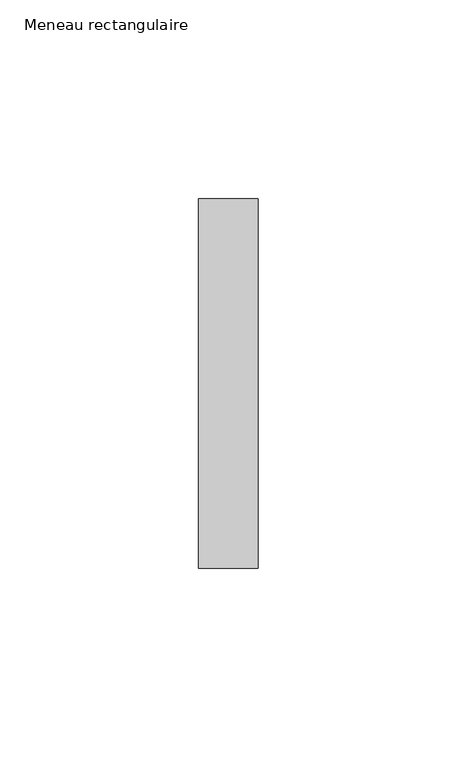
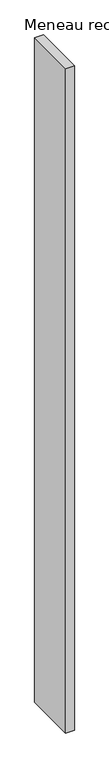
"""IFC4 building model written with IfcOpenShell, lengths in millimetres: member geometry, Meneau rectangulaire."""

from ifc_helpers import new_model, si_unit, frame, origin, place, context, project, spatial, polyline, outline, extrude, source, transform, mapped, element, save


def meneau_rectangulaire_9770540d(model_context):
    return source(origin(), model_context, "Body", "SweptSolid", [
        extrude(outline(polyline([(0.0, 46.5), (0.0, -46.5), (-15.0, -46.5), (-15.0, 46.5), (0.0, 46.5)])), frame((0.0, 0.0, -1217.9999998), z_axis=(0.0, 0.0, 1.0), x_axis=(1.0, 0.0, 0.0)), (0.0, 0.0, 1.0), 1217.9999998),
    ])


if __name__ == "__main__":
    model = new_model("IFC4")
    model_context = context("Model", 3, world=origin())
    ifc_project = project(units=[si_unit("LENGTHUNIT", "METRE", prefix="MILLI")], contexts=[model_context])
    site = spatial("IfcSite", under=ifc_project)
    building = spatial("IfcBuilding", under=site)
    placement = place(None, origin())
    meneau_rectangulaire_shape = meneau_rectangulaire_9770540d(model_context)
    element("IfcMember", 1, ObjectType="Meneau rectangulaire", at=placement, inside=building, context=model_context, shape_type="MappedRepresentation", body=[
        mapped(meneau_rectangulaire_shape, transform((0.0, 0.0, 0.0), x_axis=(1.0, 0.0, 0.0), y_axis=(0.0, 1.0, 0.0), z_axis=(0.0, 0.0, 1.0))),
    ])
    save(model, "model.ifc")
